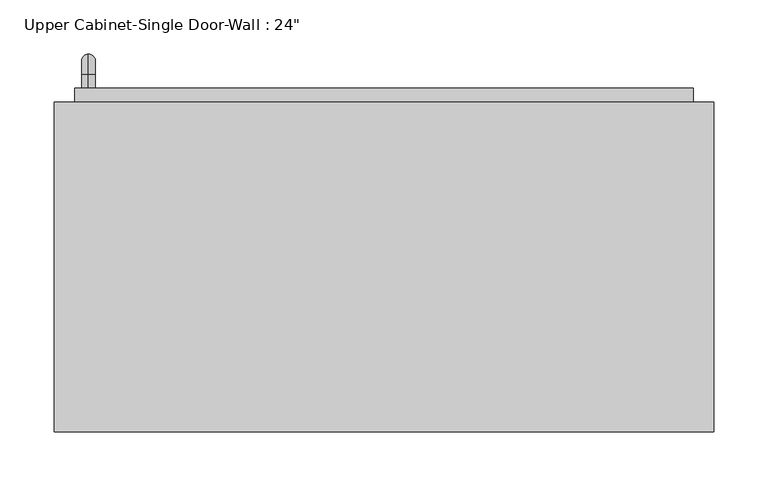
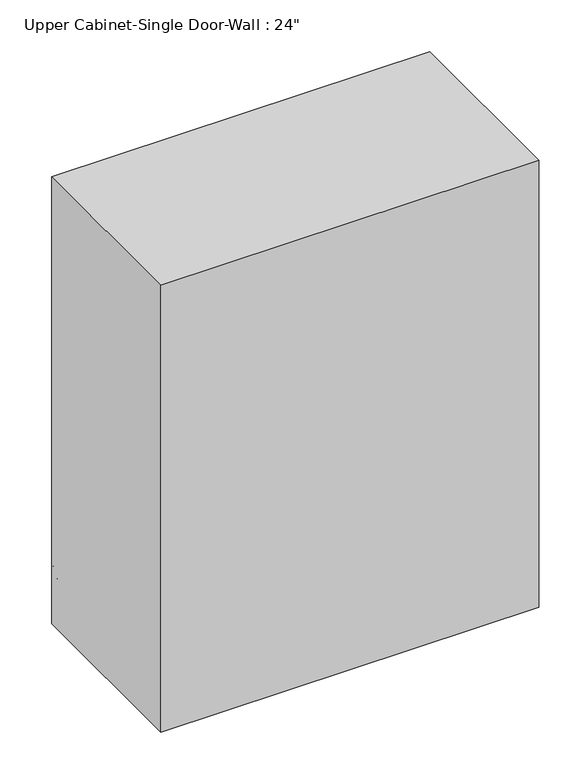
"""IFC4 building model written with IfcOpenShell, lengths in millimetres: furniture geometry."""

from ifc_helpers import new_model, si_unit, point, frame, origin, place, context, project, spatial, polyline, circle_curve, ellipse_curve, trimmed, outline, extrude, faceted_brep, source, transform, mapped, element, save
from ifc_brep_helpers import plane_surface, cylinder_surface, revolved_surface, advanced_brep


def furniture_9111fc9f(model_context):
    return source(origin(), model_context, "Body", "SolidModel", [
        faceted_brep([(-275.0288372, 61.9125, 2133.6), (-275.0288372, 61.9125, 1371.6), (334.5711628, 61.9125, 1371.6), (334.5711628, 61.9125, 2133.6), (-275.0288372, 366.7125, 2133.6), (334.5711628, 366.7125, 2133.6), (334.5711628, 366.7125, 1371.6), (-275.0288372, 366.7125, 1371.6), (-255.9788372, 366.7125, 2114.55), (-255.9788372, 366.7125, 1390.65), (315.5211628, 366.7125, 1390.65), (315.5211628, 366.7125, 2114.55), (315.5211628, 80.9625, 2114.55), (-255.9788372, 80.9625, 2114.55), (315.5211628, 80.9625, 1390.65), (-255.9788372, 80.9625, 1390.65)], [[[0, 1, 2, 3]], [[4, 5, 6, 7], [8, 9, 10, 11]], [[1, 0, 4, 7]], [[2, 1, 7, 6]], [[3, 2, 6, 5]], [[0, 3, 5, 4]], [[8, 11, 12, 13]], [[11, 10, 14, 12]], [[10, 9, 15, 14]], [[9, 8, 13, 15]], [[13, 12, 14, 15]]]),
        advanced_brep(
        [(-243.2788372, 379.4125, 1517.65), (-243.2788372, 379.4125, 1530.35), (-243.2788372, 392.1125, 1517.65), (-243.2788372, 392.1125, 1530.35), (-243.2788372, 411.1625, 1511.3), (-243.2788372, 398.4625, 1511.3), (-243.2788372, 398.4625, 1435.1), (-243.2788372, 411.1625, 1435.1), (-243.2788372, 392.1125, 1416.05), (-243.2788372, 392.1125, 1428.75), (-243.2788372, 379.4125, 1428.75), (-243.2788372, 379.4125, 1416.05)],
        [
            (0, 1, circle_curve(frame((-243.2788372, 379.4125, 1524.0), z_axis=(0.0, -1.0, 0.0), x_axis=(0.0, 0.0, 1.0)), 6.35)),
            (1, 0, circle_curve(frame((-243.2788372, 379.4125, 1524.0), z_axis=(0.0, -1.0, 0.0), x_axis=(0.0, 0.0, 1.0)), 6.35)),
            (0, 2),
            (2, 3, circle_curve(frame((-243.2788372, 392.1125, 1524.0), z_axis=(0.0, -1.0, 0.0), x_axis=(0.0, 0.0, 1.0)), 6.35)),
            (3, 1),
            (3, 2, circle_curve(frame((-243.2788372, 392.1125, 1524.0), z_axis=(0.0, -1.0, 0.0), x_axis=(0.0, 0.0, 1.0)), 6.35)),
            (4, 3, circle_curve(frame((-243.2788372, 392.1125, 1511.3), z_axis=(1.0, 0.0, 0.0), x_axis=(0.0, 0.0, 1.0)), 19.05)),
            (2, 5, circle_curve(frame((-243.2788372, 392.1125, 1511.3), z_axis=(-1.0, 0.0, 0.0), x_axis=(0.0, 0.0, 1.0)), 6.35)),
            (5, 4, circle_curve(frame((-243.2788372, 404.8125, 1511.3), z_axis=(0.0, 0.0, 1.0), x_axis=(0.0, 1.0, 0.0)), 6.35)),
            (4, 5, circle_curve(frame((-243.2788372, 404.8125, 1511.3), z_axis=(0.0, 0.0, 1.0), x_axis=(0.0, 1.0, 0.0)), 6.35)),
            (5, 6),
            (6, 7, circle_curve(frame((-243.2788372, 404.8125, 1435.1), z_axis=(0.0, 0.0, 1.0), x_axis=(0.0, 1.0, 0.0)), 6.35)),
            (7, 4),
            (7, 6, circle_curve(frame((-243.2788372, 404.8125, 1435.1), z_axis=(0.0, 0.0, 1.0), x_axis=(0.0, 1.0, 0.0)), 6.35)),
            (8, 7, circle_curve(frame((-243.2788372, 392.1125, 1435.1), z_axis=(1.0, 0.0, 0.0), x_axis=(0.0, 1.0, 0.0)), 19.05)),
            (6, 9, circle_curve(frame((-243.2788372, 392.1125, 1435.1), z_axis=(-1.0, 0.0, 0.0), x_axis=(0.0, 1.0, 0.0)), 6.35)),
            (9, 8, circle_curve(frame((-243.2788372, 392.1125, 1422.4), z_axis=(0.0, 1.0, 0.0), x_axis=(0.0, 0.0, -1.0)), 6.35)),
            (8, 9, circle_curve(frame((-243.2788372, 392.1125, 1422.4), z_axis=(0.0, 1.0, 0.0), x_axis=(0.0, 0.0, -1.0)), 6.35)),
            (10, 11, circle_curve(frame((-243.2788372, 379.4125, 1422.4), z_axis=(0.0, -1.0, 0.0), x_axis=(0.0, 0.0, -1.0)), 6.35)),
            (11, 10, circle_curve(frame((-243.2788372, 379.4125, 1422.4), z_axis=(0.0, -1.0, 0.0), x_axis=(0.0, 0.0, -1.0)), 6.35)),
            (9, 10),
            (11, 8),
        ],
        [
            plane_surface(frame((-249.6288372, 379.4125, 1524.0), z_axis=(0.0, -1.0, 0.0), x_axis=(0.0, 0.0, 1.0))),
            cylinder_surface(frame((-243.2788372, 379.4125, 1524.0), z_axis=(0.0, -1.0, 0.0), x_axis=(0.0, 0.0, 1.0)), 6.35),
            revolved_surface(trimmed(ellipse_curve(frame((-243.2788372, 392.1125, 1524.0), z_axis=(0.0, -1.0, 0.0), x_axis=(0.0, 0.0, 1.0)), 6.35, 6.35), [point((-243.2788372, 392.1125, 1517.65))], [point((-243.2788372, 392.1125, 1530.35))], True, "CARTESIAN"), (-243.2788372, 392.1125, 1511.3), (-1.0, 0.0, 0.0)),
            revolved_surface(trimmed(ellipse_curve(frame((-243.2788372, 392.1125, 1524.0), z_axis=(0.0, -1.0, 0.0), x_axis=(0.0, 0.0, 1.0)), 6.35, 6.35), [point((-243.2788372, 392.1125, 1530.35))], [point((-243.2788372, 392.1125, 1517.65))], True, "CARTESIAN"), (-243.2788372, 392.1125, 1511.3), (-1.0, 0.0, 0.0)),
            cylinder_surface(frame((-243.2788372, 404.8125, 1511.3), z_axis=(0.0, 0.0, 1.0), x_axis=(0.0, 1.0, 0.0)), 6.35),
            revolved_surface(trimmed(ellipse_curve(frame((-243.2788372, 404.8125, 1435.1), z_axis=(0.0, 0.0, 1.0), x_axis=(0.0, 1.0, 0.0)), 6.35, 6.35), [point((-243.2788372, 398.4625, 1435.1))], [point((-243.2788372, 411.1625, 1435.1))], True, "CARTESIAN"), (-243.2788372, 392.1125, 1435.1), (-1.0, 0.0, 0.0)),
            revolved_surface(trimmed(ellipse_curve(frame((-243.2788372, 404.8125, 1435.1), z_axis=(0.0, 0.0, 1.0), x_axis=(0.0, 1.0, 0.0)), 6.35, 6.35), [point((-243.2788372, 411.1625, 1435.1))], [point((-243.2788372, 398.4625, 1435.1))], True, "CARTESIAN"), (-243.2788372, 392.1125, 1435.1), (-1.0, 0.0, 0.0)),
            plane_surface(frame((-249.6288372, 379.4125, 1422.4), z_axis=(0.0, -1.0, 0.0), x_axis=(0.0, 0.0, -1.0))),
            cylinder_surface(frame((-243.2788372, 392.1125, 1422.4), z_axis=(0.0, 1.0, 0.0), x_axis=(0.0, 0.0, -1.0)), 6.35),
        ],
        [
            (0, [[1, 2]]),
            (1, [[-1, 3, 4, 5]]),
            (1, [[-2, -5, 6, -3]]),
            (2, [[7, -4, 8, 9]]),
            (3, [[-8, -6, -7, 10]]),
            (4, [[-9, 11, 12, 13]]),
            (4, [[-10, -13, 14, -11]]),
            (5, [[15, -12, 16, 17]]),
            (6, [[-16, -14, -15, 18]]),
            (7, [[19, 20]]),
            (8, [[-17, 21, -20, 22]]),
            (8, [[-18, -22, -19, -21]]),
        ],
    ),
        extrude(outline(polyline([(-255.9788372, 379.4125), (315.5211628, 379.4125), (315.5211628, 347.6625), (-255.9788372, 347.6625), (-255.9788372, 379.4125)])), frame((0.0, 0.0, 1390.65), z_axis=(0.0, 0.0, 1.0), x_axis=(1.0, 0.0, 0.0)), (0.0, 0.0, 1.0), 723.9),
    ])


if __name__ == "__main__":
    model = new_model("IFC4")
    model_context = context("Model", 3, world=origin())
    ifc_project = project(units=[si_unit("LENGTHUNIT", "METRE", prefix="MILLI")], contexts=[model_context])
    site = spatial("IfcSite", under=ifc_project)
    building = spatial("IfcBuilding", under=site)
    placement = place(None, origin())
    furniture_shape = furniture_9111fc9f(model_context)
    element("IfcFurniture", 1, ObjectType="Upper Cabinet-Single Door-Wall : 24\"", at=placement, inside=building, context=model_context, shape_type="MappedRepresentation", body=[
        mapped(furniture_shape, transform((0.0, 0.0, 0.0), x_axis=(1.0, 0.0, 0.0), y_axis=(0.0, 1.0, 0.0), z_axis=(0.0, 0.0, 1.0))),
    ])
    save(model, "model.ifc")
